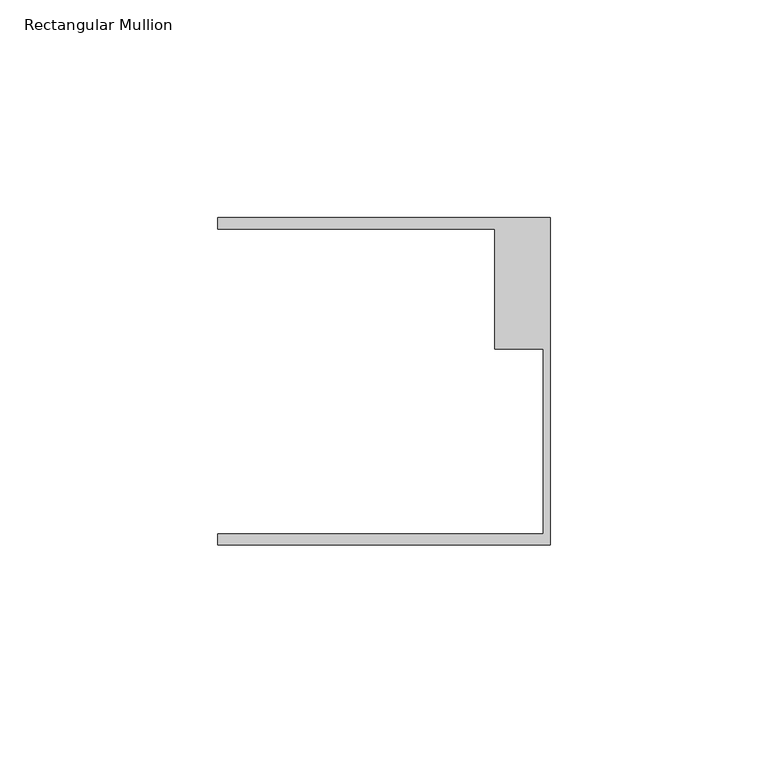
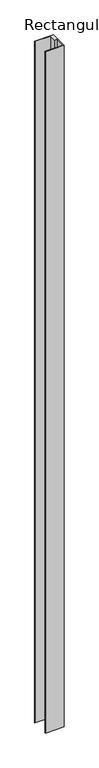
"""IFC4 building model written with IfcOpenShell, lengths in millimetres: member geometry, Rectangular Mullion."""

from ifc_helpers import new_model, si_unit, frame, origin, place, context, project, spatial, polyline, outline, extrude, source, transform, mapped, element, save


def rectangular_mullion_a65a4231(model_context):
    return source(origin(), model_context, "Body", "SweptSolid", [
        extrude(outline(polyline([(0.0, -37.5776386), (-76.2, -37.5776386), (-76.2, -35.0376386), (-1.5875, -35.0376386), (-1.5875, 7.3398614), (-12.7, 7.3398614), (-12.7, 34.9623614), (-76.2, 34.9623614), (-76.2, 37.5023614), (0.0, 37.5023614), (0.0, -37.5776386)])), frame((0.0, 0.0, -2946.4), z_axis=(0.0, 0.0, 1.0), x_axis=(1.0, 0.0, 0.0)), (0.0, 0.0, 1.0), 2946.4),
    ])


if __name__ == "__main__":
    model = new_model("IFC4")
    model_context = context("Model", 3, world=origin())
    ifc_project = project(units=[si_unit("LENGTHUNIT", "METRE", prefix="MILLI")], contexts=[model_context])
    site = spatial("IfcSite", under=ifc_project)
    building = spatial("IfcBuilding", under=site)
    placement = place(None, origin())
    rectangular_mullion_shape = rectangular_mullion_a65a4231(model_context)
    element("IfcMember", 1, ObjectType="Rectangular Mullion", at=placement, inside=building, context=model_context, shape_type="MappedRepresentation", body=[
        mapped(rectangular_mullion_shape, transform((0.0, 0.0, 0.0), x_axis=(1.0, 0.0, 0.0), y_axis=(0.0, 1.0, 0.0), z_axis=(0.0, 0.0, 1.0))),
    ])
    save(model, "model.ifc")
